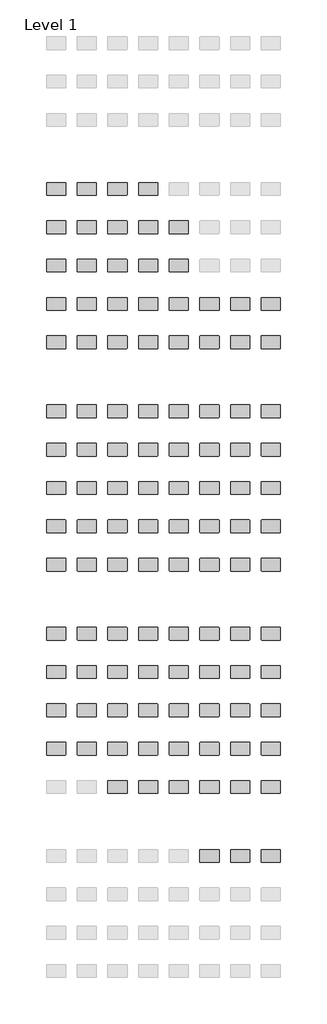
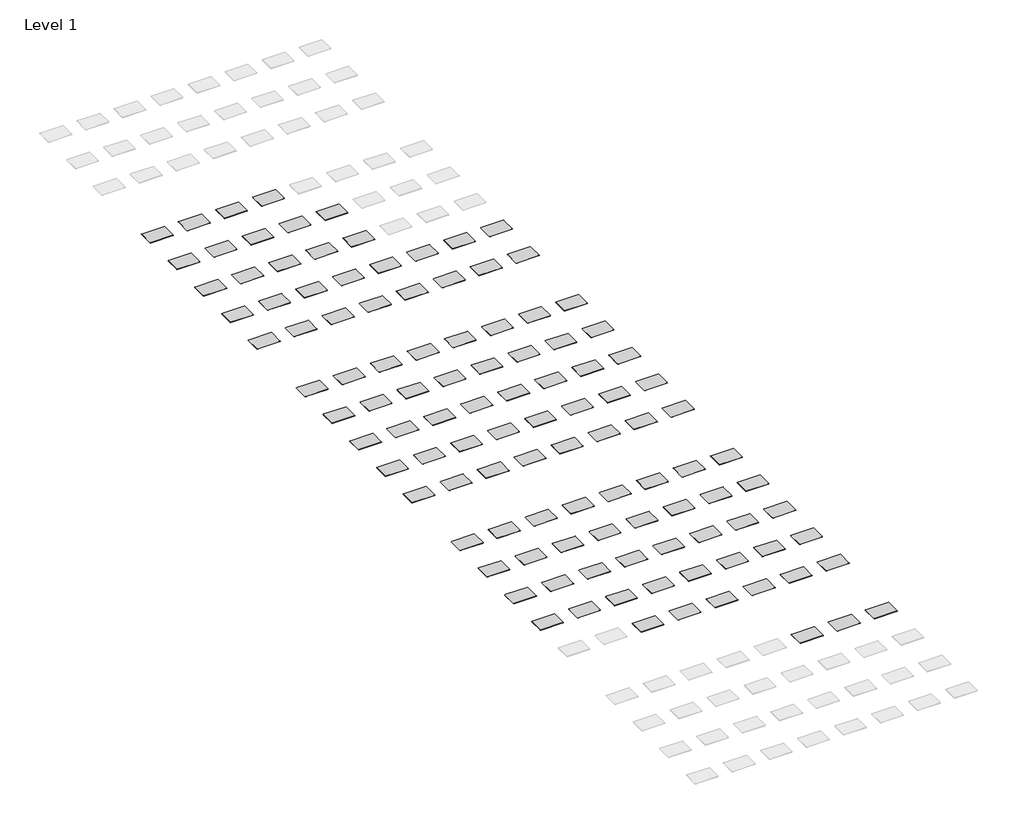
# One storey, part 2 of 10: 111 furniture elements.
"""IFC4 building model written with IfcOpenShell, lengths in millimetres."""

import ifcopenshell
import ifcopenshell.guid

model = None  # the IFC model being written
_history = None  # IfcOwnerHistory: only IFC2X3 demands one
_inside = {}  # id of a spatial element -> (the spatial element, [elements in it])
_under = {}  # id of a project, library or spatial element -> (it, [spatial elements below it])
_declared = {}  # id of a project -> (the project, [libraries it declares])
_typed = {}  # id of a type object -> (the type object, [elements of that type])
_made_of = {}  # id of a material, layer set ... -> (it, [elements and type objects made of it])


def new_model(schema):
    """Start an empty IFC model of exactly this schema.

    Asked for "IFC4X3", IfcOpenShell would pick the latest addendum, in which some entities
    have other attributes; the version numbers below select the first issue.
    IFC2X3 requires an IfcOwnerHistory on every rooted entity: one is made here for all.
    """
    global model, _history
    if schema == "IFC4X3":
        model = ifcopenshell.file(schema_version=(4, 3, 0, 0))
    else:
        model = ifcopenshell.file(schema=schema)
    _inside.clear()
    _under.clear()
    _declared.clear()
    _typed.clear()
    _made_of.clear()
    _history = None
    if model.schema == "IFC2X3":
        org = make("IfcOrganization", Name="unknown")
        user = make(
            "IfcPersonAndOrganization",
            ThePerson=make("IfcPerson", FamilyName="unknown"),
            TheOrganization=org,
        )
        app = make(
            "IfcApplication",
            ApplicationDeveloper=org,
            Version="unknown",
            ApplicationFullName="unknown",
            ApplicationIdentifier="unknown",
        )
        _history = make(
            "IfcOwnerHistory",
            OwningUser=user,
            OwningApplication=app,
            ChangeAction="ADDED",
            CreationDate=0,
        )
    return model


def make(cls, **values):
    """One entity of the class cls with the attributes given. An attribute that is None is left unset."""
    return model.create_entity(
        cls, **{name: value for name, value in values.items() if value is not None}
    )


def rooted(cls, **values):
    """An entity with a GlobalId (a new one), such as an element, a storey or a relation."""
    return make(cls, GlobalId=ifcopenshell.guid.new(), OwnerHistory=_history, **values)


def si_unit(unit_type, name, prefix=None):
    """IfcSIUnit, for example si_unit("LENGTHUNIT", "METRE", prefix="MILLI")."""
    return make("IfcSIUnit", UnitType=unit_type, Prefix=prefix, Name=name)


def assignment(units):
    """IfcUnitAssignment: the units of a project."""
    return None if units is None else make("IfcUnitAssignment", Units=units)


def point(xyz):
    """IfcCartesianPoint."""
    return None if xyz is None else make("IfcCartesianPoint", Coordinates=xyz)


def direction(xyz):
    """IfcDirection."""
    return None if xyz is None else make("IfcDirection", DirectionRatios=xyz)


def frame(location, z_axis=None, x_axis=None):
    """IfcAxis2Placement3D, a coordinate frame: its origin and axes. An axis left out is left unset."""
    return make(
        "IfcAxis2Placement3D",
        Location=point(location),
        Axis=direction(z_axis),
        RefDirection=direction(x_axis),
    )


def frame_2d(location, x_axis=None):
    """IfcAxis2Placement2D, a coordinate frame in the plane: its origin and x axis."""
    return make(
        "IfcAxis2Placement2D", Location=point(location), RefDirection=direction(x_axis)
    )


def origin():
    """The frame at (0, 0, 0) with its axes left unset."""
    return frame((0.0, 0.0, 0.0))


def place(relative_to, where):
    """IfcLocalPlacement: puts the frame where relative to a parent placement (None: the world)."""
    return make(
        "IfcLocalPlacement", PlacementRelTo=relative_to, RelativePlacement=where
    )


def context(
    kind, dimensions, precision=None, world=None, true_north=None, identifier=None
):
    """IfcGeometricRepresentationContext, for example the 3D "Model" context."""
    return make(
        "IfcGeometricRepresentationContext",
        ContextIdentifier=identifier,
        ContextType=kind,
        CoordinateSpaceDimension=dimensions,
        Precision=precision,
        WorldCoordinateSystem=world,
        TrueNorth=true_north,
    )


def project(units=None, contexts=None):
    """IfcProject with its units and contexts."""
    return rooted(
        "IfcProject",
        Name="project",
        RepresentationContexts=contexts,
        UnitsInContext=assignment(units),
    )


def spatial(cls, under=None, at=None, **own):
    """A site, building, storey or space (cls), placed at a placement, below another one or the project."""
    s = rooted(cls, ObjectPlacement=at, **own)
    if under is not None:
        _under.setdefault(under.id(), (under, []))[1].append(s)
    return s


def polyline(points):
    """IfcPolyline through the points."""
    return make("IfcPolyline", Points=[point(p) for p in points])


def circle_curve(where, radius):
    """IfcCircle in the frame where."""
    return make("IfcCircle", Position=where, Radius=radius)


def trimmed(basis, trim1, trim2, sense, master):
    """IfcTrimmedCurve: the piece of a basis curve between two trims."""
    return make(
        "IfcTrimmedCurve",
        BasisCurve=basis,
        Trim1=trim1,
        Trim2=trim2,
        SenseAgreement=sense,
        MasterRepresentation=master,
    )


def segment(curve, same_sense, transition):
    """IfcCompositeCurveSegment."""
    return make(
        "IfcCompositeCurveSegment",
        Transition=transition,
        SameSense=same_sense,
        ParentCurve=curve,
    )


def composite_curve(segments, self_intersect=None):
    """IfcCompositeCurve: segments joined end to end."""
    return make("IfcCompositeCurve", Segments=segments, SelfIntersect=self_intersect)


def outline(outer, holes=None, kind="AREA"):
    """IfcArbitraryClosedProfileDef: a profile drawn as a closed curve; with holes, ...WithVoids."""
    if holes is None:
        return make("IfcArbitraryClosedProfileDef", ProfileType=kind, OuterCurve=outer)
    return make(
        "IfcArbitraryProfileDefWithVoids",
        ProfileType=kind,
        OuterCurve=outer,
        InnerCurves=holes,
    )


def extrude(swept, where, along, depth):
    """IfcExtrudedAreaSolid: the profile swept, set in the frame where, extruded along a direction by depth."""
    return make(
        "IfcExtrudedAreaSolid",
        SweptArea=swept,
        Position=where,
        ExtrudedDirection=direction(along),
        Depth=depth,
    )


def shape(context_of_items, identifier, shape_type, items):
    """IfcShapeRepresentation: the items that make up one representation, for example the "Body"."""
    return make(
        "IfcShapeRepresentation",
        ContextOfItems=context_of_items,
        RepresentationIdentifier=identifier,
        RepresentationType=shape_type,
        Items=items,
    )


def source(mapping_origin, context_of_items, identifier, shape_type, items):
    """IfcRepresentationMap: a shape defined once, which mapped items show again and again."""
    return make(
        "IfcRepresentationMap",
        MappingOrigin=mapping_origin,
        MappedRepresentation=shape(context_of_items, identifier, shape_type, items),
    )


def transform(
    local_origin,
    x_axis=None,
    y_axis=None,
    z_axis=None,
    scale=None,
    scale2=None,
    scale3=None,
    uniform=True,
):
    """IfcCartesianTransformationOperator3D, or its non-uniform kind. x_axis, y_axis, z_axis: its Axis1, 2, 3."""
    if uniform:
        return make(
            "IfcCartesianTransformationOperator3D",
            Axis1=direction(x_axis),
            Axis2=direction(y_axis),
            LocalOrigin=point(local_origin),
            Scale=scale,
            Axis3=direction(z_axis),
        )
    return make(
        "IfcCartesianTransformationOperator3DnonUniform",
        Axis1=direction(x_axis),
        Axis2=direction(y_axis),
        LocalOrigin=point(local_origin),
        Scale=scale,
        Axis3=direction(z_axis),
        Scale2=scale2,
        Scale3=scale3,
    )


def mapped(mapping_source, mapping_target):
    """IfcMappedItem: shows the shape of a source again, moved by a transform."""
    return make(
        "IfcMappedItem", MappingSource=mapping_source, MappingTarget=mapping_target
    )


def made_of(thing, what):
    """Note that an element or type object is made of a material, layer set ...; save() writes the relation."""
    if what is not None:
        _made_of.setdefault(what.id(), (what, []))[1].append(thing)
    return thing


def element(
    cls,
    number,
    at=None,
    inside=None,
    cuts=None,
    type_object=None,
    material=None,
    context=None,
    identifier="Body",
    shape_type=None,
    held_by="IfcProductDefinitionShape",
    body=None,
    shapes=None,
    **own,
):
    """One element of the class cls, such as IfcWall. Its Tag is "e" and its number.

    at: its placement. inside: the storey or other place that contains it. cuts: it is an
    opening in that element (IfcRelVoidsElement). A single representation is given by context,
    identifier, shape_type and body (its items); several are given by shapes. held_by: the class
    of the entity that holds the representations. save() writes the other relations.
    """
    e = rooted(cls, Tag="e%d" % number, ObjectPlacement=at, **own)
    if body is not None:
        shapes = [shape(context, identifier, shape_type, body)]
    if shapes is not None:
        e.Representation = make(held_by, Representations=shapes)
    if inside is not None:
        _inside.setdefault(inside.id(), (inside, []))[1].append(e)
    if cuts is not None:
        rooted(
            "IfcRelVoidsElement", RelatingBuildingElement=cuts, RelatedOpeningElement=e
        )
    if type_object is not None:
        _typed.setdefault(type_object.id(), (type_object, []))[1].append(e)
    return made_of(e, material)


def aggregate(whole, parts):
    """IfcRelAggregates: a whole, such as a stair, and the parts it consists of."""
    return rooted("IfcRelAggregates", RelatingObject=whole, RelatedObjects=parts)


def save(model, path):
    """Write the relations noted so far, then the file.

    IfcRelAggregates (storeys below a building ...), IfcRelContainedInSpatialStructure (elements
    in a storey), IfcRelDefinesByType, IfcRelAssociatesMaterial and IfcRelDeclares: one each for
    every whole, place, type object, material and project.
    """
    for whole, parts in _under.values():
        aggregate(whole, parts)
    for where, things in _inside.values():
        rooted(
            "IfcRelContainedInSpatialStructure",
            RelatedElements=things,
            RelatingStructure=where,
        )
    for kind, things in _typed.values():
        rooted("IfcRelDefinesByType", RelatedObjects=things, RelatingType=kind)
    for what, things in _made_of.values():
        rooted("IfcRelAssociatesMaterial", RelatedObjects=things, RelatingMaterial=what)
    for by, libraries in _declared.values():
        rooted("IfcRelDeclares", RelatingContext=by, RelatedDefinitions=libraries)
    model.write(path)


def furniture_2008_material_sample3_2x3x1_8_96bf408c(model_context):
    return source(origin(), model_context, "Body", "SweptSolid", [
        extrude(outline(composite_curve([segment(trimmed(circle_curve(frame_2d((21215.2392185, 10811.8982463)), 6.35), [point((21215.2392185, 10818.2482463))], [point((21221.5892185, 10811.8982463))], False, "CARTESIAN"), True, "CONTINUOUS"), segment(polyline([(21221.5892185, 10811.8982463), (21221.5892185, 10570.5982463)]), True, "CONTINUOUS"), segment(trimmed(circle_curve(frame_2d((21215.2392185, 10570.5982463)), 6.35), [point((21221.5892185, 10570.5982463))], [point((21215.2392185, 10564.2482463))], False, "CARTESIAN"), True, "CONTINUOUS"), segment(polyline([(21215.2392185, 10564.2482463), (20846.9392185, 10564.2482463)]), True, "CONTINUOUS"), segment(trimmed(circle_curve(frame_2d((20846.9392185, 10570.5982463)), 6.35), [point((20846.9392185, 10564.2482463))], [point((20840.5892185, 10570.5982463))], False, "CARTESIAN"), True, "CONTINUOUS"), segment(polyline([(20840.5892185, 10570.5982463), (20840.5892185, 10811.8982463)]), True, "CONTINUOUS"), segment(trimmed(circle_curve(frame_2d((20846.9392185, 10811.8982463)), 6.35), [point((20840.5892185, 10811.8982463))], [point((20846.9392185, 10818.2482463))], False, "CARTESIAN"), True, "CONTINUOUS"), segment(polyline([(20846.9392185, 10818.2482463), (21215.2392185, 10818.2482463)]), True, "CONTINUOUS")], self_intersect=False)), frame((0.0, 0.0, -3.175), z_axis=(0.0, 0.0, 1.0), x_axis=(1.0, 0.0, 0.0)), (0.0, 0.0, 1.0), 3.175),
    ])


model = new_model("IFC4")

# Units and contexts
model_context = context("Model", 3, world=origin())
ifc_project = project(units=[si_unit("LENGTHUNIT", "METRE", prefix="MILLI")], contexts=[model_context])

# Site, building, storey
site = spatial("IfcSite", under=ifc_project)
building = spatial("IfcBuilding", under=site)
storey = spatial("IfcBuildingStorey", under=building, Name="Level 1", Elevation=0.0)

# Furniture
placement = place(None, origin())
furniture_2008_material_sample3_2x3x1_8_shape = furniture_2008_material_sample3_2x3x1_8_96bf408c(model_context)
element("IfcFurniture", 1, ObjectType="2008_Material Sample3 : 2x3x1/8", at=placement, inside=storey, context=model_context, shape_type="MappedRepresentation", body=[
    mapped(furniture_2008_material_sample3_2x3x1_8_shape, transform((-21031.0892185, -108303.4482463, 304.8), x_axis=(1.0, 0.0, 0.0), y_axis=(0.0, 1.0, 0.0), z_axis=(0.0, 0.0, 1.0))),
])
element("IfcFurniture", 2, ObjectType="2008_Material Sample3 : 2x3x1/8", at=placement, inside=storey, context=model_context, shape_type="MappedRepresentation", body=[
    mapped(furniture_2008_material_sample3_2x3x1_8_shape, transform((-20421.4892185, -108303.4482463, 304.8), x_axis=(1.0, 0.0, 0.0), y_axis=(0.0, 1.0, 0.0), z_axis=(0.0, 0.0, 1.0))),
])
element("IfcFurniture", 3, ObjectType="2008_Material Sample3 : 2x3x1/8", at=placement, inside=storey, context=model_context, shape_type="MappedRepresentation", body=[
    mapped(furniture_2008_material_sample3_2x3x1_8_shape, transform((-19811.8892185, -108303.4482463, 304.8), x_axis=(1.0, 0.0, 0.0), y_axis=(0.0, 1.0, 0.0), z_axis=(0.0, 0.0, 1.0))),
])
element("IfcFurniture", 4, ObjectType="2008_Material Sample3 : 2x3x1/8", at=placement, inside=storey, context=model_context, shape_type="MappedRepresentation", body=[
    mapped(furniture_2008_material_sample3_2x3x1_8_shape, transform((-19202.2892185, -108303.4482463, 304.8), x_axis=(1.0, 0.0, 0.0), y_axis=(0.0, 1.0, 0.0), z_axis=(0.0, 0.0, 1.0))),
])
element("IfcFurniture", 5, ObjectType="2008_Material Sample3 : 2x3x1/8", at=placement, inside=storey, context=model_context, shape_type="MappedRepresentation", body=[
    mapped(furniture_2008_material_sample3_2x3x1_8_shape, transform((-21031.0892185, -109065.4482463, 304.8), x_axis=(1.0, 0.0, 0.0), y_axis=(0.0, 1.0, 0.0), z_axis=(0.0, 0.0, 1.0))),
])
element("IfcFurniture", 6, ObjectType="2008_Material Sample3 : 2x3x1/8", at=placement, inside=storey, context=model_context, shape_type="MappedRepresentation", body=[
    mapped(furniture_2008_material_sample3_2x3x1_8_shape, transform((-20421.4892185, -109065.4482463, 304.8), x_axis=(1.0, 0.0, 0.0), y_axis=(0.0, 1.0, 0.0), z_axis=(0.0, 0.0, 1.0))),
])
element("IfcFurniture", 7, ObjectType="2008_Material Sample3 : 2x3x1/8", at=placement, inside=storey, context=model_context, shape_type="MappedRepresentation", body=[
    mapped(furniture_2008_material_sample3_2x3x1_8_shape, transform((-19811.8892185, -109065.4482463, 304.8), x_axis=(1.0, 0.0, 0.0), y_axis=(0.0, 1.0, 0.0), z_axis=(0.0, 0.0, 1.0))),
])
element("IfcFurniture", 8, ObjectType="2008_Material Sample3 : 2x3x1/8", at=placement, inside=storey, context=model_context, shape_type="MappedRepresentation", body=[
    mapped(furniture_2008_material_sample3_2x3x1_8_shape, transform((-19202.2892185, -109065.4482463, 304.8), x_axis=(1.0, 0.0, 0.0), y_axis=(0.0, 1.0, 0.0), z_axis=(0.0, 0.0, 1.0))),
])
element("IfcFurniture", 9, ObjectType="2008_Material Sample3 : 2x3x1/8", at=placement, inside=storey, context=model_context, shape_type="MappedRepresentation", body=[
    mapped(furniture_2008_material_sample3_2x3x1_8_shape, transform((-18592.6892185, -109065.4482463, 304.8), x_axis=(1.0, 0.0, 0.0), y_axis=(0.0, 1.0, 0.0), z_axis=(0.0, 0.0, 1.0))),
])
element("IfcFurniture", 10, ObjectType="2008_Material Sample3 : 2x3x1/8", at=placement, inside=storey, context=model_context, shape_type="MappedRepresentation", body=[
    mapped(furniture_2008_material_sample3_2x3x1_8_shape, transform((-21031.0892185, -109827.4482463, 304.8), x_axis=(1.0, 0.0, 0.0), y_axis=(0.0, 1.0, 0.0), z_axis=(0.0, 0.0, 1.0))),
])
element("IfcFurniture", 11, ObjectType="2008_Material Sample3 : 2x3x1/8", at=placement, inside=storey, context=model_context, shape_type="MappedRepresentation", body=[
    mapped(furniture_2008_material_sample3_2x3x1_8_shape, transform((-20421.4892185, -109827.4482463, 304.8), x_axis=(1.0, 0.0, 0.0), y_axis=(0.0, 1.0, 0.0), z_axis=(0.0, 0.0, 1.0))),
])
element("IfcFurniture", 12, ObjectType="2008_Material Sample3 : 2x3x1/8", at=placement, inside=storey, context=model_context, shape_type="MappedRepresentation", body=[
    mapped(furniture_2008_material_sample3_2x3x1_8_shape, transform((-19811.8892185, -109827.4482463, 304.8), x_axis=(1.0, 0.0, 0.0), y_axis=(0.0, 1.0, 0.0), z_axis=(0.0, 0.0, 1.0))),
])
element("IfcFurniture", 13, ObjectType="2008_Material Sample3 : 2x3x1/8", at=placement, inside=storey, context=model_context, shape_type="MappedRepresentation", body=[
    mapped(furniture_2008_material_sample3_2x3x1_8_shape, transform((-19202.2892185, -109827.4482463, 304.8), x_axis=(1.0, 0.0, 0.0), y_axis=(0.0, 1.0, 0.0), z_axis=(0.0, 0.0, 1.0))),
])
element("IfcFurniture", 14, ObjectType="2008_Material Sample3 : 2x3x1/8", at=placement, inside=storey, context=model_context, shape_type="MappedRepresentation", body=[
    mapped(furniture_2008_material_sample3_2x3x1_8_shape, transform((-18592.6892185, -109827.4482463, 304.8), x_axis=(1.0, 0.0, 0.0), y_axis=(0.0, 1.0, 0.0), z_axis=(0.0, 0.0, 1.0))),
])
element("IfcFurniture", 15, ObjectType="2008_Material Sample3 : 2x3x1/8", at=placement, inside=storey, context=model_context, shape_type="MappedRepresentation", body=[
    mapped(furniture_2008_material_sample3_2x3x1_8_shape, transform((-21031.0892185, -110589.4482463, 304.8), x_axis=(1.0, 0.0, 0.0), y_axis=(0.0, 1.0, 0.0), z_axis=(0.0, 0.0, 1.0))),
])
element("IfcFurniture", 16, ObjectType="2008_Material Sample3 : 2x3x1/8", at=placement, inside=storey, context=model_context, shape_type="MappedRepresentation", body=[
    mapped(furniture_2008_material_sample3_2x3x1_8_shape, transform((-20421.4892185, -110589.4482463, 304.8), x_axis=(1.0, 0.0, 0.0), y_axis=(0.0, 1.0, 0.0), z_axis=(0.0, 0.0, 1.0))),
])
element("IfcFurniture", 17, ObjectType="2008_Material Sample3 : 2x3x1/8", at=placement, inside=storey, context=model_context, shape_type="MappedRepresentation", body=[
    mapped(furniture_2008_material_sample3_2x3x1_8_shape, transform((-19811.8892185, -110589.4482463, 304.8), x_axis=(1.0, 0.0, 0.0), y_axis=(0.0, 1.0, 0.0), z_axis=(0.0, 0.0, 1.0))),
])
element("IfcFurniture", 18, ObjectType="2008_Material Sample3 : 2x3x1/8", at=placement, inside=storey, context=model_context, shape_type="MappedRepresentation", body=[
    mapped(furniture_2008_material_sample3_2x3x1_8_shape, transform((-19202.2892185, -110589.4482463, 304.8), x_axis=(1.0, 0.0, 0.0), y_axis=(0.0, 1.0, 0.0), z_axis=(0.0, 0.0, 1.0))),
])
element("IfcFurniture", 19, ObjectType="2008_Material Sample3 : 2x3x1/8", at=placement, inside=storey, context=model_context, shape_type="MappedRepresentation", body=[
    mapped(furniture_2008_material_sample3_2x3x1_8_shape, transform((-18592.6892185, -110589.4482463, 304.8), x_axis=(1.0, 0.0, 0.0), y_axis=(0.0, 1.0, 0.0), z_axis=(0.0, 0.0, 1.0))),
])
element("IfcFurniture", 20, ObjectType="2008_Material Sample3 : 2x3x1/8", at=placement, inside=storey, context=model_context, shape_type="MappedRepresentation", body=[
    mapped(furniture_2008_material_sample3_2x3x1_8_shape, transform((-17983.0892185, -110589.4482463, 304.8), x_axis=(1.0, 0.0, 0.0), y_axis=(0.0, 1.0, 0.0), z_axis=(0.0, 0.0, 1.0))),
])
element("IfcFurniture", 21, ObjectType="2008_Material Sample3 : 2x3x1/8", at=placement, inside=storey, context=model_context, shape_type="MappedRepresentation", body=[
    mapped(furniture_2008_material_sample3_2x3x1_8_shape, transform((-17373.4892185, -110589.4482463, 304.8), x_axis=(1.0, 0.0, 0.0), y_axis=(0.0, 1.0, 0.0), z_axis=(0.0, 0.0, 1.0))),
])
element("IfcFurniture", 22, ObjectType="2008_Material Sample3 : 2x3x1/8", at=placement, inside=storey, context=model_context, shape_type="MappedRepresentation", body=[
    mapped(furniture_2008_material_sample3_2x3x1_8_shape, transform((-16763.8892185, -110589.4482463, 304.8), x_axis=(1.0, 0.0, 0.0), y_axis=(0.0, 1.0, 0.0), z_axis=(0.0, 0.0, 1.0))),
])
element("IfcFurniture", 23, ObjectType="2008_Material Sample3 : 2x3x1/8", at=placement, inside=storey, context=model_context, shape_type="MappedRepresentation", body=[
    mapped(furniture_2008_material_sample3_2x3x1_8_shape, transform((-21031.0892185, -111351.4482463, 304.8), x_axis=(1.0, 0.0, 0.0), y_axis=(0.0, 1.0, 0.0), z_axis=(0.0, 0.0, 1.0))),
])
element("IfcFurniture", 24, ObjectType="2008_Material Sample3 : 2x3x1/8", at=placement, inside=storey, context=model_context, shape_type="MappedRepresentation", body=[
    mapped(furniture_2008_material_sample3_2x3x1_8_shape, transform((-20421.4892185, -111351.4482463, 304.8), x_axis=(1.0, 0.0, 0.0), y_axis=(0.0, 1.0, 0.0), z_axis=(0.0, 0.0, 1.0))),
])
element("IfcFurniture", 25, ObjectType="2008_Material Sample3 : 2x3x1/8", at=placement, inside=storey, context=model_context, shape_type="MappedRepresentation", body=[
    mapped(furniture_2008_material_sample3_2x3x1_8_shape, transform((-19811.8892185, -111351.4482463, 304.8), x_axis=(1.0, 0.0, 0.0), y_axis=(0.0, 1.0, 0.0), z_axis=(0.0, 0.0, 1.0))),
])
element("IfcFurniture", 26, ObjectType="2008_Material Sample3 : 2x3x1/8", at=placement, inside=storey, context=model_context, shape_type="MappedRepresentation", body=[
    mapped(furniture_2008_material_sample3_2x3x1_8_shape, transform((-19202.2892185, -111351.4482463, 304.8), x_axis=(1.0, 0.0, 0.0), y_axis=(0.0, 1.0, 0.0), z_axis=(0.0, 0.0, 1.0))),
])
element("IfcFurniture", 27, ObjectType="2008_Material Sample3 : 2x3x1/8", at=placement, inside=storey, context=model_context, shape_type="MappedRepresentation", body=[
    mapped(furniture_2008_material_sample3_2x3x1_8_shape, transform((-18592.6892185, -111351.4482463, 304.8), x_axis=(1.0, 0.0, 0.0), y_axis=(0.0, 1.0, 0.0), z_axis=(0.0, 0.0, 1.0))),
])
element("IfcFurniture", 28, ObjectType="2008_Material Sample3 : 2x3x1/8", at=placement, inside=storey, context=model_context, shape_type="MappedRepresentation", body=[
    mapped(furniture_2008_material_sample3_2x3x1_8_shape, transform((-17983.0892185, -111351.4482463, 304.8), x_axis=(1.0, 0.0, 0.0), y_axis=(0.0, 1.0, 0.0), z_axis=(0.0, 0.0, 1.0))),
])
element("IfcFurniture", 29, ObjectType="2008_Material Sample3 : 2x3x1/8", at=placement, inside=storey, context=model_context, shape_type="MappedRepresentation", body=[
    mapped(furniture_2008_material_sample3_2x3x1_8_shape, transform((-17373.4892185, -111351.4482463, 304.8), x_axis=(1.0, 0.0, 0.0), y_axis=(0.0, 1.0, 0.0), z_axis=(0.0, 0.0, 1.0))),
])
element("IfcFurniture", 30, ObjectType="2008_Material Sample3 : 2x3x1/8", at=placement, inside=storey, context=model_context, shape_type="MappedRepresentation", body=[
    mapped(furniture_2008_material_sample3_2x3x1_8_shape, transform((-16763.8892185, -111351.4482463, 304.8), x_axis=(1.0, 0.0, 0.0), y_axis=(0.0, 1.0, 0.0), z_axis=(0.0, 0.0, 1.0))),
])
element("IfcFurniture", 31, ObjectType="2008_Material Sample3 : 2x3x1/8", at=placement, inside=storey, context=model_context, shape_type="MappedRepresentation", body=[
    mapped(furniture_2008_material_sample3_2x3x1_8_shape, transform((-21031.0892185, -112723.0482463, 304.8), x_axis=(1.0, 0.0, 0.0), y_axis=(0.0, 1.0, 0.0), z_axis=(0.0, 0.0, 1.0))),
])
element("IfcFurniture", 32, ObjectType="2008_Material Sample3 : 2x3x1/8", at=placement, inside=storey, context=model_context, shape_type="MappedRepresentation", body=[
    mapped(furniture_2008_material_sample3_2x3x1_8_shape, transform((-20421.4892185, -112723.0482463, 304.8), x_axis=(1.0, 0.0, 0.0), y_axis=(0.0, 1.0, 0.0), z_axis=(0.0, 0.0, 1.0))),
])
element("IfcFurniture", 33, ObjectType="2008_Material Sample3 : 2x3x1/8", at=placement, inside=storey, context=model_context, shape_type="MappedRepresentation", body=[
    mapped(furniture_2008_material_sample3_2x3x1_8_shape, transform((-19811.8892185, -112723.0482463, 304.8), x_axis=(1.0, 0.0, 0.0), y_axis=(0.0, 1.0, 0.0), z_axis=(0.0, 0.0, 1.0))),
])
element("IfcFurniture", 34, ObjectType="2008_Material Sample3 : 2x3x1/8", at=placement, inside=storey, context=model_context, shape_type="MappedRepresentation", body=[
    mapped(furniture_2008_material_sample3_2x3x1_8_shape, transform((-19202.2892185, -112723.0482463, 304.8), x_axis=(1.0, 0.0, 0.0), y_axis=(0.0, 1.0, 0.0), z_axis=(0.0, 0.0, 1.0))),
])
element("IfcFurniture", 35, ObjectType="2008_Material Sample3 : 2x3x1/8", at=placement, inside=storey, context=model_context, shape_type="MappedRepresentation", body=[
    mapped(furniture_2008_material_sample3_2x3x1_8_shape, transform((-18592.6892185, -112723.0482463, 304.8), x_axis=(1.0, 0.0, 0.0), y_axis=(0.0, 1.0, 0.0), z_axis=(0.0, 0.0, 1.0))),
])
element("IfcFurniture", 36, ObjectType="2008_Material Sample3 : 2x3x1/8", at=placement, inside=storey, context=model_context, shape_type="MappedRepresentation", body=[
    mapped(furniture_2008_material_sample3_2x3x1_8_shape, transform((-17983.0892185, -112723.0482463, 304.8), x_axis=(1.0, 0.0, 0.0), y_axis=(0.0, 1.0, 0.0), z_axis=(0.0, 0.0, 1.0))),
])
element("IfcFurniture", 37, ObjectType="2008_Material Sample3 : 2x3x1/8", at=placement, inside=storey, context=model_context, shape_type="MappedRepresentation", body=[
    mapped(furniture_2008_material_sample3_2x3x1_8_shape, transform((-17373.4892185, -112723.0482463, 304.8), x_axis=(1.0, 0.0, 0.0), y_axis=(0.0, 1.0, 0.0), z_axis=(0.0, 0.0, 1.0))),
])
element("IfcFurniture", 38, ObjectType="2008_Material Sample3 : 2x3x1/8", at=placement, inside=storey, context=model_context, shape_type="MappedRepresentation", body=[
    mapped(furniture_2008_material_sample3_2x3x1_8_shape, transform((-16763.8892185, -112723.0482463, 304.8), x_axis=(1.0, 0.0, 0.0), y_axis=(0.0, 1.0, 0.0), z_axis=(0.0, 0.0, 1.0))),
])
element("IfcFurniture", 39, ObjectType="2008_Material Sample3 : 2x3x1/8", at=placement, inside=storey, context=model_context, shape_type="MappedRepresentation", body=[
    mapped(furniture_2008_material_sample3_2x3x1_8_shape, transform((-21031.0892185, -113485.0482463, 304.8), x_axis=(1.0, 0.0, 0.0), y_axis=(0.0, 1.0, 0.0), z_axis=(0.0, 0.0, 1.0))),
])
element("IfcFurniture", 40, ObjectType="2008_Material Sample3 : 2x3x1/8", at=placement, inside=storey, context=model_context, shape_type="MappedRepresentation", body=[
    mapped(furniture_2008_material_sample3_2x3x1_8_shape, transform((-20421.4892185, -113485.0482463, 304.8), x_axis=(1.0, 0.0, 0.0), y_axis=(0.0, 1.0, 0.0), z_axis=(0.0, 0.0, 1.0))),
])
element("IfcFurniture", 41, ObjectType="2008_Material Sample3 : 2x3x1/8", at=placement, inside=storey, context=model_context, shape_type="MappedRepresentation", body=[
    mapped(furniture_2008_material_sample3_2x3x1_8_shape, transform((-19811.8892185, -113485.0482463, 304.8), x_axis=(1.0, 0.0, 0.0), y_axis=(0.0, 1.0, 0.0), z_axis=(0.0, 0.0, 1.0))),
])
element("IfcFurniture", 42, ObjectType="2008_Material Sample3 : 2x3x1/8", at=placement, inside=storey, context=model_context, shape_type="MappedRepresentation", body=[
    mapped(furniture_2008_material_sample3_2x3x1_8_shape, transform((-19202.2892185, -113485.0482463, 304.8), x_axis=(1.0, 0.0, 0.0), y_axis=(0.0, 1.0, 0.0), z_axis=(0.0, 0.0, 1.0))),
])
element("IfcFurniture", 43, ObjectType="2008_Material Sample3 : 2x3x1/8", at=placement, inside=storey, context=model_context, shape_type="MappedRepresentation", body=[
    mapped(furniture_2008_material_sample3_2x3x1_8_shape, transform((-18592.6892185, -113485.0482463, 304.8), x_axis=(1.0, 0.0, 0.0), y_axis=(0.0, 1.0, 0.0), z_axis=(0.0, 0.0, 1.0))),
])
element("IfcFurniture", 44, ObjectType="2008_Material Sample3 : 2x3x1/8", at=placement, inside=storey, context=model_context, shape_type="MappedRepresentation", body=[
    mapped(furniture_2008_material_sample3_2x3x1_8_shape, transform((-17983.0892185, -113485.0482463, 304.8), x_axis=(1.0, 0.0, 0.0), y_axis=(0.0, 1.0, 0.0), z_axis=(0.0, 0.0, 1.0))),
])
element("IfcFurniture", 45, ObjectType="2008_Material Sample3 : 2x3x1/8", at=placement, inside=storey, context=model_context, shape_type="MappedRepresentation", body=[
    mapped(furniture_2008_material_sample3_2x3x1_8_shape, transform((-17373.4892185, -113485.0482463, 304.8), x_axis=(1.0, 0.0, 0.0), y_axis=(0.0, 1.0, 0.0), z_axis=(0.0, 0.0, 1.0))),
])
element("IfcFurniture", 46, ObjectType="2008_Material Sample3 : 2x3x1/8", at=placement, inside=storey, context=model_context, shape_type="MappedRepresentation", body=[
    mapped(furniture_2008_material_sample3_2x3x1_8_shape, transform((-16763.8892185, -113485.0482463, 304.8), x_axis=(1.0, 0.0, 0.0), y_axis=(0.0, 1.0, 0.0), z_axis=(0.0, 0.0, 1.0))),
])
element("IfcFurniture", 47, ObjectType="2008_Material Sample3 : 2x3x1/8", at=placement, inside=storey, context=model_context, shape_type="MappedRepresentation", body=[
    mapped(furniture_2008_material_sample3_2x3x1_8_shape, transform((-21031.0892185, -114247.0482463, 304.8), x_axis=(1.0, 0.0, 0.0), y_axis=(0.0, 1.0, 0.0), z_axis=(0.0, 0.0, 1.0))),
])
element("IfcFurniture", 48, ObjectType="2008_Material Sample3 : 2x3x1/8", at=placement, inside=storey, context=model_context, shape_type="MappedRepresentation", body=[
    mapped(furniture_2008_material_sample3_2x3x1_8_shape, transform((-20421.4892185, -114247.0482463, 304.8), x_axis=(1.0, 0.0, 0.0), y_axis=(0.0, 1.0, 0.0), z_axis=(0.0, 0.0, 1.0))),
])
element("IfcFurniture", 49, ObjectType="2008_Material Sample3 : 2x3x1/8", at=placement, inside=storey, context=model_context, shape_type="MappedRepresentation", body=[
    mapped(furniture_2008_material_sample3_2x3x1_8_shape, transform((-19811.8892185, -114247.0482463, 304.8), x_axis=(1.0, 0.0, 0.0), y_axis=(0.0, 1.0, 0.0), z_axis=(0.0, 0.0, 1.0))),
])
element("IfcFurniture", 50, ObjectType="2008_Material Sample3 : 2x3x1/8", at=placement, inside=storey, context=model_context, shape_type="MappedRepresentation", body=[
    mapped(furniture_2008_material_sample3_2x3x1_8_shape, transform((-19202.2892185, -114247.0482463, 304.8), x_axis=(1.0, 0.0, 0.0), y_axis=(0.0, 1.0, 0.0), z_axis=(0.0, 0.0, 1.0))),
])
element("IfcFurniture", 51, ObjectType="2008_Material Sample3 : 2x3x1/8", at=placement, inside=storey, context=model_context, shape_type="MappedRepresentation", body=[
    mapped(furniture_2008_material_sample3_2x3x1_8_shape, transform((-18592.6892185, -114247.0482463, 304.8), x_axis=(1.0, 0.0, 0.0), y_axis=(0.0, 1.0, 0.0), z_axis=(0.0, 0.0, 1.0))),
])
element("IfcFurniture", 52, ObjectType="2008_Material Sample3 : 2x3x1/8", at=placement, inside=storey, context=model_context, shape_type="MappedRepresentation", body=[
    mapped(furniture_2008_material_sample3_2x3x1_8_shape, transform((-17983.0892185, -114247.0482463, 304.8), x_axis=(1.0, 0.0, 0.0), y_axis=(0.0, 1.0, 0.0), z_axis=(0.0, 0.0, 1.0))),
])
element("IfcFurniture", 53, ObjectType="2008_Material Sample3 : 2x3x1/8", at=placement, inside=storey, context=model_context, shape_type="MappedRepresentation", body=[
    mapped(furniture_2008_material_sample3_2x3x1_8_shape, transform((-17373.4892185, -114247.0482463, 304.8), x_axis=(1.0, 0.0, 0.0), y_axis=(0.0, 1.0, 0.0), z_axis=(0.0, 0.0, 1.0))),
])
element("IfcFurniture", 54, ObjectType="2008_Material Sample3 : 2x3x1/8", at=placement, inside=storey, context=model_context, shape_type="MappedRepresentation", body=[
    mapped(furniture_2008_material_sample3_2x3x1_8_shape, transform((-16763.8892185, -114247.0482463, 304.8), x_axis=(1.0, 0.0, 0.0), y_axis=(0.0, 1.0, 0.0), z_axis=(0.0, 0.0, 1.0))),
])
element("IfcFurniture", 55, ObjectType="2008_Material Sample3 : 2x3x1/8", at=placement, inside=storey, context=model_context, shape_type="MappedRepresentation", body=[
    mapped(furniture_2008_material_sample3_2x3x1_8_shape, transform((-21031.0892185, -115009.0482463, 304.8), x_axis=(1.0, 0.0, 0.0), y_axis=(0.0, 1.0, 0.0), z_axis=(0.0, 0.0, 1.0))),
])
element("IfcFurniture", 56, ObjectType="2008_Material Sample3 : 2x3x1/8", at=placement, inside=storey, context=model_context, shape_type="MappedRepresentation", body=[
    mapped(furniture_2008_material_sample3_2x3x1_8_shape, transform((-20421.4892185, -115009.0482463, 304.8), x_axis=(1.0, 0.0, 0.0), y_axis=(0.0, 1.0, 0.0), z_axis=(0.0, 0.0, 1.0))),
])
element("IfcFurniture", 57, ObjectType="2008_Material Sample3 : 2x3x1/8", at=placement, inside=storey, context=model_context, shape_type="MappedRepresentation", body=[
    mapped(furniture_2008_material_sample3_2x3x1_8_shape, transform((-19811.8892185, -115009.0482463, 304.8), x_axis=(1.0, 0.0, 0.0), y_axis=(0.0, 1.0, 0.0), z_axis=(0.0, 0.0, 1.0))),
])
element("IfcFurniture", 58, ObjectType="2008_Material Sample3 : 2x3x1/8", at=placement, inside=storey, context=model_context, shape_type="MappedRepresentation", body=[
    mapped(furniture_2008_material_sample3_2x3x1_8_shape, transform((-19202.2892185, -115009.0482463, 304.8), x_axis=(1.0, 0.0, 0.0), y_axis=(0.0, 1.0, 0.0), z_axis=(0.0, 0.0, 1.0))),
])
element("IfcFurniture", 59, ObjectType="2008_Material Sample3 : 2x3x1/8", at=placement, inside=storey, context=model_context, shape_type="MappedRepresentation", body=[
    mapped(furniture_2008_material_sample3_2x3x1_8_shape, transform((-18592.6892185, -115009.0482463, 304.8), x_axis=(1.0, 0.0, 0.0), y_axis=(0.0, 1.0, 0.0), z_axis=(0.0, 0.0, 1.0))),
])
element("IfcFurniture", 60, ObjectType="2008_Material Sample3 : 2x3x1/8", at=placement, inside=storey, context=model_context, shape_type="MappedRepresentation", body=[
    mapped(furniture_2008_material_sample3_2x3x1_8_shape, transform((-17983.0892185, -115009.0482463, 304.8), x_axis=(1.0, 0.0, 0.0), y_axis=(0.0, 1.0, 0.0), z_axis=(0.0, 0.0, 1.0))),
])
element("IfcFurniture", 61, ObjectType="2008_Material Sample3 : 2x3x1/8", at=placement, inside=storey, context=model_context, shape_type="MappedRepresentation", body=[
    mapped(furniture_2008_material_sample3_2x3x1_8_shape, transform((-17373.4892185, -115009.0482463, 304.8), x_axis=(1.0, 0.0, 0.0), y_axis=(0.0, 1.0, 0.0), z_axis=(0.0, 0.0, 1.0))),
])
element("IfcFurniture", 62, ObjectType="2008_Material Sample3 : 2x3x1/8", at=placement, inside=storey, context=model_context, shape_type="MappedRepresentation", body=[
    mapped(furniture_2008_material_sample3_2x3x1_8_shape, transform((-16763.8892185, -115009.0482463, 304.8), x_axis=(1.0, 0.0, 0.0), y_axis=(0.0, 1.0, 0.0), z_axis=(0.0, 0.0, 1.0))),
])
element("IfcFurniture", 63, ObjectType="2008_Material Sample3 : 2x3x1/8", at=placement, inside=storey, context=model_context, shape_type="MappedRepresentation", body=[
    mapped(furniture_2008_material_sample3_2x3x1_8_shape, transform((-21031.0892185, -115771.0482463, 304.8), x_axis=(1.0, 0.0, 0.0), y_axis=(0.0, 1.0, 0.0), z_axis=(0.0, 0.0, 1.0))),
])
element("IfcFurniture", 64, ObjectType="2008_Material Sample3 : 2x3x1/8", at=placement, inside=storey, context=model_context, shape_type="MappedRepresentation", body=[
    mapped(furniture_2008_material_sample3_2x3x1_8_shape, transform((-20421.4892185, -115771.0482463, 304.8), x_axis=(1.0, 0.0, 0.0), y_axis=(0.0, 1.0, 0.0), z_axis=(0.0, 0.0, 1.0))),
])
element("IfcFurniture", 65, ObjectType="2008_Material Sample3 : 2x3x1/8", at=placement, inside=storey, context=model_context, shape_type="MappedRepresentation", body=[
    mapped(furniture_2008_material_sample3_2x3x1_8_shape, transform((-19811.8892185, -115771.0482463, 304.8), x_axis=(1.0, 0.0, 0.0), y_axis=(0.0, 1.0, 0.0), z_axis=(0.0, 0.0, 1.0))),
])
element("IfcFurniture", 66, ObjectType="2008_Material Sample3 : 2x3x1/8", at=placement, inside=storey, context=model_context, shape_type="MappedRepresentation", body=[
    mapped(furniture_2008_material_sample3_2x3x1_8_shape, transform((-19202.2892185, -115771.0482463, 304.8), x_axis=(1.0, 0.0, 0.0), y_axis=(0.0, 1.0, 0.0), z_axis=(0.0, 0.0, 1.0))),
])
element("IfcFurniture", 67, ObjectType="2008_Material Sample3 : 2x3x1/8", at=placement, inside=storey, context=model_context, shape_type="MappedRepresentation", body=[
    mapped(furniture_2008_material_sample3_2x3x1_8_shape, transform((-18592.6892185, -115771.0482463, 304.8), x_axis=(1.0, 0.0, 0.0), y_axis=(0.0, 1.0, 0.0), z_axis=(0.0, 0.0, 1.0))),
])
element("IfcFurniture", 68, ObjectType="2008_Material Sample3 : 2x3x1/8", at=placement, inside=storey, context=model_context, shape_type="MappedRepresentation", body=[
    mapped(furniture_2008_material_sample3_2x3x1_8_shape, transform((-17983.0892185, -115771.0482463, 304.8), x_axis=(1.0, 0.0, 0.0), y_axis=(0.0, 1.0, 0.0), z_axis=(0.0, 0.0, 1.0))),
])
element("IfcFurniture", 69, ObjectType="2008_Material Sample3 : 2x3x1/8", at=placement, inside=storey, context=model_context, shape_type="MappedRepresentation", body=[
    mapped(furniture_2008_material_sample3_2x3x1_8_shape, transform((-17373.4892185, -115771.0482463, 304.8), x_axis=(1.0, 0.0, 0.0), y_axis=(0.0, 1.0, 0.0), z_axis=(0.0, 0.0, 1.0))),
])
element("IfcFurniture", 70, ObjectType="2008_Material Sample3 : 2x3x1/8", at=placement, inside=storey, context=model_context, shape_type="MappedRepresentation", body=[
    mapped(furniture_2008_material_sample3_2x3x1_8_shape, transform((-16763.8892185, -115771.0482463, 304.8), x_axis=(1.0, 0.0, 0.0), y_axis=(0.0, 1.0, 0.0), z_axis=(0.0, 0.0, 1.0))),
])
element("IfcFurniture", 71, ObjectType="2008_Material Sample3 : 2x3x1/8", at=placement, inside=storey, context=model_context, shape_type="MappedRepresentation", body=[
    mapped(furniture_2008_material_sample3_2x3x1_8_shape, transform((-21031.0892185, -117142.6482463, 304.8), x_axis=(1.0, 0.0, 0.0), y_axis=(0.0, 1.0, 0.0), z_axis=(0.0, 0.0, 1.0))),
])
element("IfcFurniture", 72, ObjectType="2008_Material Sample3 : 2x3x1/8", at=placement, inside=storey, context=model_context, shape_type="MappedRepresentation", body=[
    mapped(furniture_2008_material_sample3_2x3x1_8_shape, transform((-20421.4892185, -117142.6482463, 304.8), x_axis=(1.0, 0.0, 0.0), y_axis=(0.0, 1.0, 0.0), z_axis=(0.0, 0.0, 1.0))),
])
element("IfcFurniture", 73, ObjectType="2008_Material Sample3 : 2x3x1/8", at=placement, inside=storey, context=model_context, shape_type="MappedRepresentation", body=[
    mapped(furniture_2008_material_sample3_2x3x1_8_shape, transform((-19811.8892185, -117142.6482463, 304.8), x_axis=(1.0, 0.0, 0.0), y_axis=(0.0, 1.0, 0.0), z_axis=(0.0, 0.0, 1.0))),
])
element("IfcFurniture", 74, ObjectType="2008_Material Sample3 : 2x3x1/8", at=placement, inside=storey, context=model_context, shape_type="MappedRepresentation", body=[
    mapped(furniture_2008_material_sample3_2x3x1_8_shape, transform((-19202.2892185, -117142.6482463, 304.8), x_axis=(1.0, 0.0, 0.0), y_axis=(0.0, 1.0, 0.0), z_axis=(0.0, 0.0, 1.0))),
])
element("IfcFurniture", 75, ObjectType="2008_Material Sample3 : 2x3x1/8", at=placement, inside=storey, context=model_context, shape_type="MappedRepresentation", body=[
    mapped(furniture_2008_material_sample3_2x3x1_8_shape, transform((-18592.6892185, -117142.6482463, 304.8), x_axis=(1.0, 0.0, 0.0), y_axis=(0.0, 1.0, 0.0), z_axis=(0.0, 0.0, 1.0))),
])
element("IfcFurniture", 76, ObjectType="2008_Material Sample3 : 2x3x1/8", at=placement, inside=storey, context=model_context, shape_type="MappedRepresentation", body=[
    mapped(furniture_2008_material_sample3_2x3x1_8_shape, transform((-17983.0892185, -117142.6482463, 304.8), x_axis=(1.0, 0.0, 0.0), y_axis=(0.0, 1.0, 0.0), z_axis=(0.0, 0.0, 1.0))),
])
element("IfcFurniture", 77, ObjectType="2008_Material Sample3 : 2x3x1/8", at=placement, inside=storey, context=model_context, shape_type="MappedRepresentation", body=[
    mapped(furniture_2008_material_sample3_2x3x1_8_shape, transform((-17373.4892185, -117142.6482463, 304.8), x_axis=(1.0, 0.0, 0.0), y_axis=(0.0, 1.0, 0.0), z_axis=(0.0, 0.0, 1.0))),
])
element("IfcFurniture", 78, ObjectType="2008_Material Sample3 : 2x3x1/8", at=placement, inside=storey, context=model_context, shape_type="MappedRepresentation", body=[
    mapped(furniture_2008_material_sample3_2x3x1_8_shape, transform((-16763.8892185, -117142.6482463, 304.8), x_axis=(1.0, 0.0, 0.0), y_axis=(0.0, 1.0, 0.0), z_axis=(0.0, 0.0, 1.0))),
])
element("IfcFurniture", 79, ObjectType="2008_Material Sample3 : 2x3x1/8", at=placement, inside=storey, context=model_context, shape_type="MappedRepresentation", body=[
    mapped(furniture_2008_material_sample3_2x3x1_8_shape, transform((-21031.0892185, -117904.6482463, 304.8), x_axis=(1.0, 0.0, 0.0), y_axis=(0.0, 1.0, 0.0), z_axis=(0.0, 0.0, 1.0))),
])
element("IfcFurniture", 80, ObjectType="2008_Material Sample3 : 2x3x1/8", at=placement, inside=storey, context=model_context, shape_type="MappedRepresentation", body=[
    mapped(furniture_2008_material_sample3_2x3x1_8_shape, transform((-20421.4892185, -117904.6482463, 304.8), x_axis=(1.0, 0.0, 0.0), y_axis=(0.0, 1.0, 0.0), z_axis=(0.0, 0.0, 1.0))),
])
element("IfcFurniture", 81, ObjectType="2008_Material Sample3 : 2x3x1/8", at=placement, inside=storey, context=model_context, shape_type="MappedRepresentation", body=[
    mapped(furniture_2008_material_sample3_2x3x1_8_shape, transform((-19811.8892185, -117904.6482463, 304.8), x_axis=(1.0, 0.0, 0.0), y_axis=(0.0, 1.0, 0.0), z_axis=(0.0, 0.0, 1.0))),
])
element("IfcFurniture", 82, ObjectType="2008_Material Sample3 : 2x3x1/8", at=placement, inside=storey, context=model_context, shape_type="MappedRepresentation", body=[
    mapped(furniture_2008_material_sample3_2x3x1_8_shape, transform((-19202.2892185, -117904.6482463, 304.8), x_axis=(1.0, 0.0, 0.0), y_axis=(0.0, 1.0, 0.0), z_axis=(0.0, 0.0, 1.0))),
])
element("IfcFurniture", 83, ObjectType="2008_Material Sample3 : 2x3x1/8", at=placement, inside=storey, context=model_context, shape_type="MappedRepresentation", body=[
    mapped(furniture_2008_material_sample3_2x3x1_8_shape, transform((-18592.6892185, -117904.6482463, 304.8), x_axis=(1.0, 0.0, 0.0), y_axis=(0.0, 1.0, 0.0), z_axis=(0.0, 0.0, 1.0))),
])
element("IfcFurniture", 84, ObjectType="2008_Material Sample3 : 2x3x1/8", at=placement, inside=storey, context=model_context, shape_type="MappedRepresentation", body=[
    mapped(furniture_2008_material_sample3_2x3x1_8_shape, transform((-17983.0892185, -117904.6482463, 304.8), x_axis=(1.0, 0.0, 0.0), y_axis=(0.0, 1.0, 0.0), z_axis=(0.0, 0.0, 1.0))),
])
element("IfcFurniture", 85, ObjectType="2008_Material Sample3 : 2x3x1/8", at=placement, inside=storey, context=model_context, shape_type="MappedRepresentation", body=[
    mapped(furniture_2008_material_sample3_2x3x1_8_shape, transform((-17373.4892185, -117904.6482463, 304.8), x_axis=(1.0, 0.0, 0.0), y_axis=(0.0, 1.0, 0.0), z_axis=(0.0, 0.0, 1.0))),
])
element("IfcFurniture", 86, ObjectType="2008_Material Sample3 : 2x3x1/8", at=placement, inside=storey, context=model_context, shape_type="MappedRepresentation", body=[
    mapped(furniture_2008_material_sample3_2x3x1_8_shape, transform((-16763.8892185, -117904.6482463, 304.8), x_axis=(1.0, 0.0, 0.0), y_axis=(0.0, 1.0, 0.0), z_axis=(0.0, 0.0, 1.0))),
])
element("IfcFurniture", 87, ObjectType="2008_Material Sample3 : 2x3x1/8", at=placement, inside=storey, context=model_context, shape_type="MappedRepresentation", body=[
    mapped(furniture_2008_material_sample3_2x3x1_8_shape, transform((-21031.0892185, -118666.6482463, 304.8), x_axis=(1.0, 0.0, 0.0), y_axis=(0.0, 1.0, 0.0), z_axis=(0.0, 0.0, 1.0))),
])
element("IfcFurniture", 88, ObjectType="2008_Material Sample3 : 2x3x1/8", at=placement, inside=storey, context=model_context, shape_type="MappedRepresentation", body=[
    mapped(furniture_2008_material_sample3_2x3x1_8_shape, transform((-20421.4892185, -118666.6482463, 304.8), x_axis=(1.0, 0.0, 0.0), y_axis=(0.0, 1.0, 0.0), z_axis=(0.0, 0.0, 1.0))),
])
element("IfcFurniture", 89, ObjectType="2008_Material Sample3 : 2x3x1/8", at=placement, inside=storey, context=model_context, shape_type="MappedRepresentation", body=[
    mapped(furniture_2008_material_sample3_2x3x1_8_shape, transform((-19811.8892185, -118666.6482463, 304.8), x_axis=(1.0, 0.0, 0.0), y_axis=(0.0, 1.0, 0.0), z_axis=(0.0, 0.0, 1.0))),
])
element("IfcFurniture", 90, ObjectType="2008_Material Sample3 : 2x3x1/8", at=placement, inside=storey, context=model_context, shape_type="MappedRepresentation", body=[
    mapped(furniture_2008_material_sample3_2x3x1_8_shape, transform((-19202.2892185, -118666.6482463, 304.8), x_axis=(1.0, 0.0, 0.0), y_axis=(0.0, 1.0, 0.0), z_axis=(0.0, 0.0, 1.0))),
])
element("IfcFurniture", 91, ObjectType="2008_Material Sample3 : 2x3x1/8", at=placement, inside=storey, context=model_context, shape_type="MappedRepresentation", body=[
    mapped(furniture_2008_material_sample3_2x3x1_8_shape, transform((-18592.6892185, -118666.6482463, 304.8), x_axis=(1.0, 0.0, 0.0), y_axis=(0.0, 1.0, 0.0), z_axis=(0.0, 0.0, 1.0))),
])
element("IfcFurniture", 92, ObjectType="2008_Material Sample3 : 2x3x1/8", at=placement, inside=storey, context=model_context, shape_type="MappedRepresentation", body=[
    mapped(furniture_2008_material_sample3_2x3x1_8_shape, transform((-17983.0892185, -118666.6482463, 304.8), x_axis=(1.0, 0.0, 0.0), y_axis=(0.0, 1.0, 0.0), z_axis=(0.0, 0.0, 1.0))),
])
element("IfcFurniture", 93, ObjectType="2008_Material Sample3 : 2x3x1/8", at=placement, inside=storey, context=model_context, shape_type="MappedRepresentation", body=[
    mapped(furniture_2008_material_sample3_2x3x1_8_shape, transform((-17373.4892185, -118666.6482463, 304.8), x_axis=(1.0, 0.0, 0.0), y_axis=(0.0, 1.0, 0.0), z_axis=(0.0, 0.0, 1.0))),
])
element("IfcFurniture", 94, ObjectType="2008_Material Sample3 : 2x3x1/8", at=placement, inside=storey, context=model_context, shape_type="MappedRepresentation", body=[
    mapped(furniture_2008_material_sample3_2x3x1_8_shape, transform((-16763.8892185, -118666.6482463, 304.8), x_axis=(1.0, 0.0, 0.0), y_axis=(0.0, 1.0, 0.0), z_axis=(0.0, 0.0, 1.0))),
])
element("IfcFurniture", 95, ObjectType="2008_Material Sample3 : 2x3x1/8", at=placement, inside=storey, context=model_context, shape_type="MappedRepresentation", body=[
    mapped(furniture_2008_material_sample3_2x3x1_8_shape, transform((-21031.0892185, -119428.6482463, 304.8), x_axis=(1.0, 0.0, 0.0), y_axis=(0.0, 1.0, 0.0), z_axis=(0.0, 0.0, 1.0))),
])
element("IfcFurniture", 96, ObjectType="2008_Material Sample3 : 2x3x1/8", at=placement, inside=storey, context=model_context, shape_type="MappedRepresentation", body=[
    mapped(furniture_2008_material_sample3_2x3x1_8_shape, transform((-20421.4892185, -119428.6482463, 304.8), x_axis=(1.0, 0.0, 0.0), y_axis=(0.0, 1.0, 0.0), z_axis=(0.0, 0.0, 1.0))),
])
element("IfcFurniture", 97, ObjectType="2008_Material Sample3 : 2x3x1/8", at=placement, inside=storey, context=model_context, shape_type="MappedRepresentation", body=[
    mapped(furniture_2008_material_sample3_2x3x1_8_shape, transform((-19811.8892185, -119428.6482463, 304.8), x_axis=(1.0, 0.0, 0.0), y_axis=(0.0, 1.0, 0.0), z_axis=(0.0, 0.0, 1.0))),
])
element("IfcFurniture", 98, ObjectType="2008_Material Sample3 : 2x3x1/8", at=placement, inside=storey, context=model_context, shape_type="MappedRepresentation", body=[
    mapped(furniture_2008_material_sample3_2x3x1_8_shape, transform((-19202.2892185, -119428.6482463, 304.8), x_axis=(1.0, 0.0, 0.0), y_axis=(0.0, 1.0, 0.0), z_axis=(0.0, 0.0, 1.0))),
])
element("IfcFurniture", 99, ObjectType="2008_Material Sample3 : 2x3x1/8", at=placement, inside=storey, context=model_context, shape_type="MappedRepresentation", body=[
    mapped(furniture_2008_material_sample3_2x3x1_8_shape, transform((-18592.6892185, -119428.6482463, 304.8), x_axis=(1.0, 0.0, 0.0), y_axis=(0.0, 1.0, 0.0), z_axis=(0.0, 0.0, 1.0))),
])
element("IfcFurniture", 100, ObjectType="2008_Material Sample3 : 2x3x1/8", at=placement, inside=storey, context=model_context, shape_type="MappedRepresentation", body=[
    mapped(furniture_2008_material_sample3_2x3x1_8_shape, transform((-17983.0892185, -119428.6482463, 304.8), x_axis=(1.0, 0.0, 0.0), y_axis=(0.0, 1.0, 0.0), z_axis=(0.0, 0.0, 1.0))),
])
element("IfcFurniture", 101, ObjectType="2008_Material Sample3 : 2x3x1/8", at=placement, inside=storey, context=model_context, shape_type="MappedRepresentation", body=[
    mapped(furniture_2008_material_sample3_2x3x1_8_shape, transform((-17373.4892185, -119428.6482463, 304.8), x_axis=(1.0, 0.0, 0.0), y_axis=(0.0, 1.0, 0.0), z_axis=(0.0, 0.0, 1.0))),
])
element("IfcFurniture", 102, ObjectType="2008_Material Sample3 : 2x3x1/8", at=placement, inside=storey, context=model_context, shape_type="MappedRepresentation", body=[
    mapped(furniture_2008_material_sample3_2x3x1_8_shape, transform((-16763.8892185, -119428.6482463, 304.8), x_axis=(1.0, 0.0, 0.0), y_axis=(0.0, 1.0, 0.0), z_axis=(0.0, 0.0, 1.0))),
])
element("IfcFurniture", 103, ObjectType="2008_Material Sample3 : 2x3x1/8", at=placement, inside=storey, context=model_context, shape_type="MappedRepresentation", body=[
    mapped(furniture_2008_material_sample3_2x3x1_8_shape, transform((-19811.8892185, -120190.6482463, 304.8), x_axis=(1.0, 0.0, 0.0), y_axis=(0.0, 1.0, 0.0), z_axis=(0.0, 0.0, 1.0))),
])
element("IfcFurniture", 104, ObjectType="2008_Material Sample3 : 2x3x1/8", at=placement, inside=storey, context=model_context, shape_type="MappedRepresentation", body=[
    mapped(furniture_2008_material_sample3_2x3x1_8_shape, transform((-19202.2892185, -120190.6482463, 304.8), x_axis=(1.0, 0.0, 0.0), y_axis=(0.0, 1.0, 0.0), z_axis=(0.0, 0.0, 1.0))),
])
element("IfcFurniture", 105, ObjectType="2008_Material Sample3 : 2x3x1/8", at=placement, inside=storey, context=model_context, shape_type="MappedRepresentation", body=[
    mapped(furniture_2008_material_sample3_2x3x1_8_shape, transform((-18592.6892185, -120190.6482463, 304.8), x_axis=(1.0, 0.0, 0.0), y_axis=(0.0, 1.0, 0.0), z_axis=(0.0, 0.0, 1.0))),
])
element("IfcFurniture", 106, ObjectType="2008_Material Sample3 : 2x3x1/8", at=placement, inside=storey, context=model_context, shape_type="MappedRepresentation", body=[
    mapped(furniture_2008_material_sample3_2x3x1_8_shape, transform((-17983.0892185, -120190.6482463, 304.8), x_axis=(1.0, 0.0, 0.0), y_axis=(0.0, 1.0, 0.0), z_axis=(0.0, 0.0, 1.0))),
])
element("IfcFurniture", 107, ObjectType="2008_Material Sample3 : 2x3x1/8", at=placement, inside=storey, context=model_context, shape_type="MappedRepresentation", body=[
    mapped(furniture_2008_material_sample3_2x3x1_8_shape, transform((-17373.4892185, -120190.6482463, 304.8), x_axis=(1.0, 0.0, 0.0), y_axis=(0.0, 1.0, 0.0), z_axis=(0.0, 0.0, 1.0))),
])
element("IfcFurniture", 108, ObjectType="2008_Material Sample3 : 2x3x1/8", at=placement, inside=storey, context=model_context, shape_type="MappedRepresentation", body=[
    mapped(furniture_2008_material_sample3_2x3x1_8_shape, transform((-16763.8892185, -120190.6482463, 304.8), x_axis=(1.0, 0.0, 0.0), y_axis=(0.0, 1.0, 0.0), z_axis=(0.0, 0.0, 1.0))),
])
element("IfcFurniture", 109, ObjectType="2008_Material Sample3 : 2x3x1/8", at=placement, inside=storey, context=model_context, shape_type="MappedRepresentation", body=[
    mapped(furniture_2008_material_sample3_2x3x1_8_shape, transform((-17983.0892185, -121562.2482463, 304.8), x_axis=(1.0, 0.0, 0.0), y_axis=(0.0, 1.0, 0.0), z_axis=(0.0, 0.0, 1.0))),
])
element("IfcFurniture", 110, ObjectType="2008_Material Sample3 : 2x3x1/8", at=placement, inside=storey, context=model_context, shape_type="MappedRepresentation", body=[
    mapped(furniture_2008_material_sample3_2x3x1_8_shape, transform((-17373.4892185, -121562.2482463, 304.8), x_axis=(1.0, 0.0, 0.0), y_axis=(0.0, 1.0, 0.0), z_axis=(0.0, 0.0, 1.0))),
])
element("IfcFurniture", 111, ObjectType="2008_Material Sample3 : 2x3x1/8", at=placement, inside=storey, context=model_context, shape_type="MappedRepresentation", body=[
    mapped(furniture_2008_material_sample3_2x3x1_8_shape, transform((-16763.8892185, -121562.2482463, 304.8), x_axis=(1.0, 0.0, 0.0), y_axis=(0.0, 1.0, 0.0), z_axis=(0.0, 0.0, 1.0))),
])

save(model, "model.ifc")
